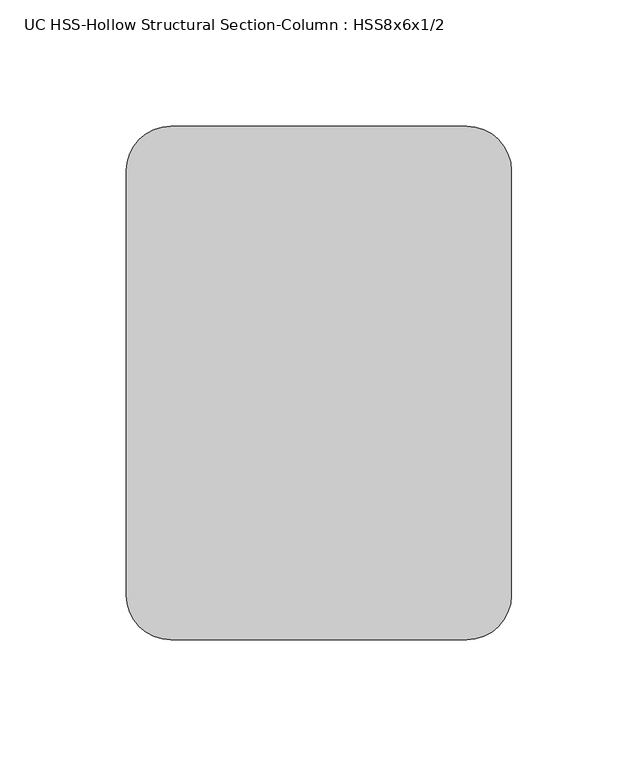
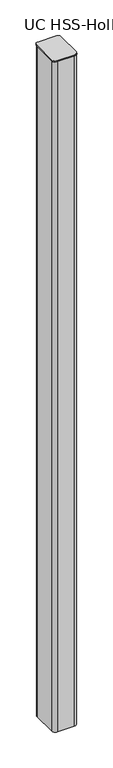
"""IFC4 building model written with IfcOpenShell, lengths in millimetres: column geometry, UC HSS-Hollow Structural Section-Column : HSS8x6x1/2."""

from ifc_helpers import new_model, si_unit, point, frame, frame_2d, origin, place, context, project, spatial, polyline, circle_curve, trimmed, segment, composite_curve, outline, extrude, source, transform, mapped, element, save


def uc_hss_hollow_structural_section_column_hss8x6x1_2_c460ad1f(model_context):
    return source(origin(), model_context, "Body", "SweptSolid", [
        extrude(outline(composite_curve([segment(trimmed(circle_curve(frame_2d((-58.5390625, 83.9390625)), 17.6609375), [point((-76.2, 83.9390625))], [point((-58.5390625, 101.6))], False, "CARTESIAN"), True, "CONTINUOUS"), segment(polyline([(-58.5390625, 101.6), (58.5390625, 101.6)]), True, "CONTINUOUS"), segment(trimmed(circle_curve(frame_2d((58.5390625, 83.9390625)), 17.6609375), [point((58.5390625, 101.6))], [point((76.2, 83.9390625))], False, "CARTESIAN"), True, "CONTINUOUS"), segment(polyline([(76.2, 83.9390625), (76.2, -83.9390625)]), True, "CONTINUOUS"), segment(trimmed(circle_curve(frame_2d((58.5390625, -83.9390625)), 17.6609375), [point((76.2, -83.9390625))], [point((58.5390625, -101.6))], False, "CARTESIAN"), True, "CONTINUOUS"), segment(polyline([(58.5390625, -101.6), (-58.5390625, -101.6)]), True, "CONTINUOUS"), segment(trimmed(circle_curve(frame_2d((-58.5390625, -83.9390625)), 17.6609375), [point((-58.5390625, -101.6))], [point((-76.2, -83.9390625))], False, "CARTESIAN"), True, "CONTINUOUS"), segment(polyline([(-76.2, -83.9390625), (-76.2, 83.9390625)]), True, "CONTINUOUS")], self_intersect=False)), frame((0.0, 0.0, 11169.65), z_axis=(0.0, 0.0, 1.0), x_axis=(1.0, 0.0, 0.0)), (0.0, 0.0, 1.0), 6.35),
        extrude(outline(composite_curve([segment(trimmed(circle_curve(frame_2d((52.578, 77.978)), 23.622), [point((52.578, 101.6))], [point((76.2, 77.978))], False, "CARTESIAN"), True, "CONTINUOUS"), segment(polyline([(76.2, 77.978), (76.2, -77.978)]), True, "CONTINUOUS"), segment(trimmed(circle_curve(frame_2d((52.578, -77.978)), 23.622), [point((76.2, -77.978))], [point((52.578, -101.6))], False, "CARTESIAN"), True, "CONTINUOUS"), segment(polyline([(52.578, -101.6), (-52.578, -101.6)]), True, "CONTINUOUS"), segment(trimmed(circle_curve(frame_2d((-52.578, -77.978)), 23.622), [point((-52.578, -101.6))], [point((-76.2, -77.978))], False, "CARTESIAN"), True, "CONTINUOUS"), segment(polyline([(-76.2, -77.978), (-76.2, 77.978)]), True, "CONTINUOUS"), segment(trimmed(circle_curve(frame_2d((-52.578, 77.978)), 23.622), [point((-76.2, 77.978))], [point((-52.578, 101.6))], False, "CARTESIAN"), True, "CONTINUOUS"), segment(polyline([(-52.578, 101.6), (52.578, 101.6)]), True, "CONTINUOUS")], self_intersect=False), holes=[composite_curve([segment(polyline([(52.578, 89.789), (-52.578, 89.789)]), True, "CONTINUOUS"), segment(trimmed(circle_curve(frame_2d((-52.578, 77.978)), 11.811), [point((-52.578, 89.789))], [point((-64.389, 77.978))], True, "CARTESIAN"), True, "CONTINUOUS"), segment(polyline([(-64.389, 77.978), (-64.389, -77.978)]), True, "CONTINUOUS"), segment(trimmed(circle_curve(frame_2d((-52.578, -77.978)), 11.811), [point((-64.389, -77.978))], [point((-52.578, -89.789))], True, "CARTESIAN"), True, "CONTINUOUS"), segment(polyline([(-52.578, -89.789), (52.578, -89.789)]), True, "CONTINUOUS"), segment(trimmed(circle_curve(frame_2d((52.578, -77.978)), 11.811), [point((52.578, -89.789))], [point((64.389, -77.978))], True, "CARTESIAN"), True, "CONTINUOUS"), segment(polyline([(64.389, -77.978), (64.389, 77.978)]), True, "CONTINUOUS"), segment(trimmed(circle_curve(frame_2d((52.578, 77.978)), 11.811), [point((64.389, 77.978))], [point((52.578, 89.789))], True, "CARTESIAN"), True, "CONTINUOUS")], self_intersect=False)]), frame((0.0, 0.0, 6756.4), z_axis=(0.0, 0.0, 1.0), x_axis=(1.0, 0.0, 0.0)), (0.0, 0.0, 1.0), 4413.25),
    ])


if __name__ == "__main__":
    model = new_model("IFC4")
    model_context = context("Model", 3, world=origin())
    ifc_project = project(units=[si_unit("LENGTHUNIT", "METRE", prefix="MILLI")], contexts=[model_context])
    site = spatial("IfcSite", under=ifc_project)
    building = spatial("IfcBuilding", under=site)
    placement = place(None, origin())
    uc_hss_hollow_structural_section_column_hss8x6x1_2_shape = uc_hss_hollow_structural_section_column_hss8x6x1_2_c460ad1f(model_context)
    element("IfcColumn", 1, ObjectType="UC HSS-Hollow Structural Section-Column : HSS8x6x1/2", at=placement, inside=building, context=model_context, shape_type="MappedRepresentation", body=[
        mapped(uc_hss_hollow_structural_section_column_hss8x6x1_2_shape, transform((0.0, 0.0, 0.0), x_axis=(1.0, 0.0, 0.0), y_axis=(0.0, 1.0, 0.0), z_axis=(0.0, 0.0, 1.0))),
    ])
    save(model, "model.ifc")
